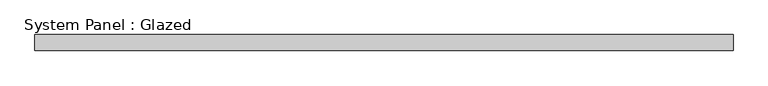
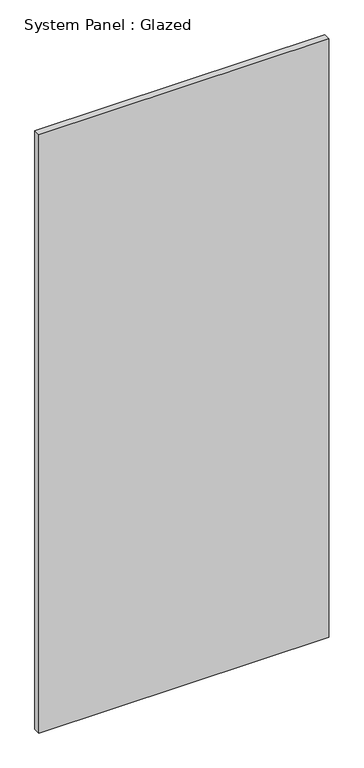
"""IFC4 building model written with IfcOpenShell, lengths in millimetres: plate geometry, System Panel : Glazed."""

from ifc_helpers import new_model, si_unit, origin, origin_with_axes, place, context, project, spatial, polyline, outline, extrude, source, transform, mapped, element, save


def system_panel_glazed_6329df6c(model_context):
    return source(origin(), model_context, "Body", "SweptSolid", [
        extrude(outline(polyline([(551.3897828, -12.7), (-551.3897828, -12.7), (-551.3897828, 12.7), (551.3897828, 12.7), (551.3897828, -12.7)])), origin_with_axes(), (0.0, 0.0, 1.0), 2405.8832375),
    ])


if __name__ == "__main__":
    model = new_model("IFC4")
    model_context = context("Model", 3, world=origin())
    ifc_project = project(units=[si_unit("LENGTHUNIT", "METRE", prefix="MILLI")], contexts=[model_context])
    site = spatial("IfcSite", under=ifc_project)
    building = spatial("IfcBuilding", under=site)
    placement = place(None, origin())
    system_panel_glazed_shape = system_panel_glazed_6329df6c(model_context)
    element("IfcPlate", 1, ObjectType="System Panel : Glazed", at=placement, inside=building, context=model_context, shape_type="MappedRepresentation", body=[
        mapped(system_panel_glazed_shape, transform((0.0, 0.0, 0.0), x_axis=(1.0, 0.0, 0.0), y_axis=(0.0, 1.0, 0.0), z_axis=(0.0, 0.0, 1.0))),
    ])
    save(model, "model.ifc")
